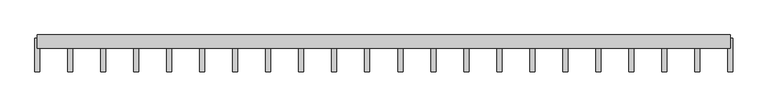
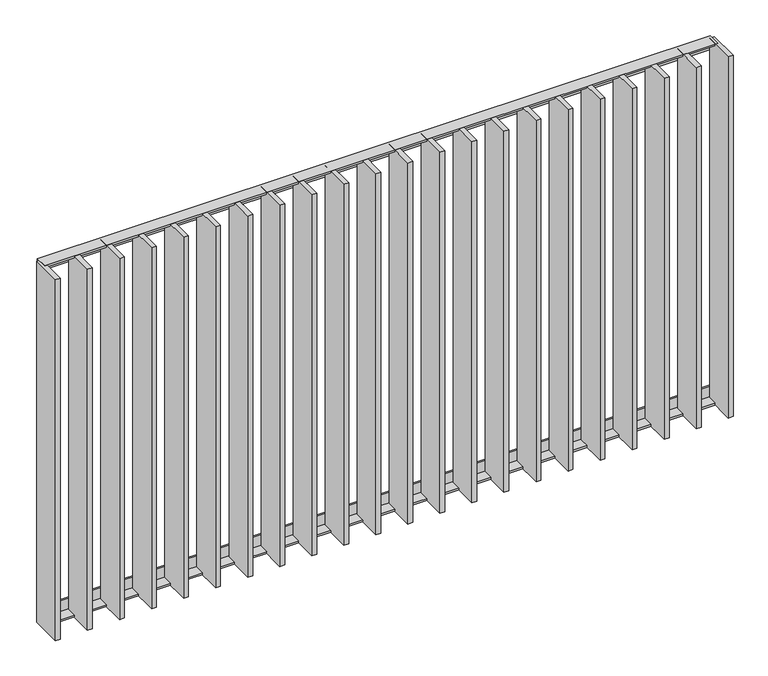
"""IFC4 building model written with IfcOpenShell, lengths in millimetres: railing geometry."""

from ifc_helpers import new_model, si_unit, frame, origin, place, context, project, spatial, polyline, outline, extrude, source, transform, mapped, element, save


def railing_85addb59(model_context):
    return source(origin(), model_context, "Body", "SweptSolid", [
        extrude(outline(polyline([(2798.7883888, 7994.0), (2764.7883888, 7994.0), (2764.7883888, 8000.0), (2804.7883888, 8000.0), (2804.7883888, 7960.0), (2798.7883888, 7960.0), (2798.7883888, 7994.0)])), frame((42609.5112064, 0.0, 0.0), z_axis=(1.0, 0.0, 0.0), x_axis=(0.0, 1.0, 0.0)), (0.0, 0.0, 1.0), 2080.0),
        extrude(outline(polyline([(2798.7883888, 6826.0), (2798.7883888, 6860.0), (2804.7883888, 6860.0), (2804.7883888, 6820.0), (2764.7883888, 6820.0), (2764.7883888, 6826.0), (2798.7883888, 6826.0)])), frame((42609.5112064, 0.0, 0.0), z_axis=(1.0, 0.0, 0.0), x_axis=(0.0, 1.0, 0.0)), (0.0, 0.0, 1.0), 2080.0),
        extrude(outline(polyline([(44582.9635874, 2794.7883888), (44597.9635874, 2794.7883888), (44597.9635874, 2694.7883888), (44582.9635874, 2694.7883888), (44582.9635874, 2794.7883888)])), frame((0.0, 0.0, 6819.9), z_axis=(0.0, 0.0, 1.0), x_axis=(1.0, 0.0, 0.0)), (0.0, 0.0, 1.0), 1180.2),
        extrude(outline(polyline([(44483.9159683, 2794.7883888), (44498.9159683, 2794.7883888), (44498.9159683, 2694.7883888), (44483.9159683, 2694.7883888), (44483.9159683, 2794.7883888)])), frame((0.0, 0.0, 6819.9), z_axis=(0.0, 0.0, 1.0), x_axis=(1.0, 0.0, 0.0)), (0.0, 0.0, 1.0), 1180.2),
        extrude(outline(polyline([(44384.8683493, 2794.7883888), (44399.8683493, 2794.7883888), (44399.8683493, 2694.7883888), (44384.8683493, 2694.7883888), (44384.8683493, 2794.7883888)])), frame((0.0, 0.0, 6819.9), z_axis=(0.0, 0.0, 1.0), x_axis=(1.0, 0.0, 0.0)), (0.0, 0.0, 1.0), 1180.2),
        extrude(outline(polyline([(44285.8207302, 2794.7883888), (44300.8207302, 2794.7883888), (44300.8207302, 2694.7883888), (44285.8207302, 2694.7883888), (44285.8207302, 2794.7883888)])), frame((0.0, 0.0, 6819.9), z_axis=(0.0, 0.0, 1.0), x_axis=(1.0, 0.0, 0.0)), (0.0, 0.0, 1.0), 1180.2),
        extrude(outline(polyline([(44186.7731112, 2794.7883888), (44201.7731112, 2794.7883888), (44201.7731112, 2694.7883888), (44186.7731112, 2694.7883888), (44186.7731112, 2794.7883888)])), frame((0.0, 0.0, 6819.9), z_axis=(0.0, 0.0, 1.0), x_axis=(1.0, 0.0, 0.0)), (0.0, 0.0, 1.0), 1180.2),
        extrude(outline(polyline([(44087.7254921, 2794.7883888), (44102.7254921, 2794.7883888), (44102.7254921, 2694.7883888), (44087.7254921, 2694.7883888), (44087.7254921, 2794.7883888)])), frame((0.0, 0.0, 6819.9), z_axis=(0.0, 0.0, 1.0), x_axis=(1.0, 0.0, 0.0)), (0.0, 0.0, 1.0), 1180.2),
        extrude(outline(polyline([(43988.6778731, 2794.7883888), (44003.6778731, 2794.7883888), (44003.6778731, 2694.7883888), (43988.6778731, 2694.7883888), (43988.6778731, 2794.7883888)])), frame((0.0, 0.0, 6819.9), z_axis=(0.0, 0.0, 1.0), x_axis=(1.0, 0.0, 0.0)), (0.0, 0.0, 1.0), 1180.2),
        extrude(outline(polyline([(43889.630254, 2794.7883888), (43904.630254, 2794.7883888), (43904.630254, 2694.7883888), (43889.630254, 2694.7883888), (43889.630254, 2794.7883888)])), frame((0.0, 0.0, 6819.9), z_axis=(0.0, 0.0, 1.0), x_axis=(1.0, 0.0, 0.0)), (0.0, 0.0, 1.0), 1180.2),
        extrude(outline(polyline([(43790.582635, 2794.7883888), (43805.582635, 2794.7883888), (43805.582635, 2694.7883888), (43790.582635, 2694.7883888), (43790.582635, 2794.7883888)])), frame((0.0, 0.0, 6819.9), z_axis=(0.0, 0.0, 1.0), x_axis=(1.0, 0.0, 0.0)), (0.0, 0.0, 1.0), 1180.2),
        extrude(outline(polyline([(43691.5350159, 2794.7883888), (43706.5350159, 2794.7883888), (43706.5350159, 2694.7883888), (43691.5350159, 2694.7883888), (43691.5350159, 2794.7883888)])), frame((0.0, 0.0, 6819.9), z_axis=(0.0, 0.0, 1.0), x_axis=(1.0, 0.0, 0.0)), (0.0, 0.0, 1.0), 1180.2),
        extrude(outline(polyline([(43592.4873969, 2794.7883888), (43607.4873969, 2794.7883888), (43607.4873969, 2694.7883888), (43592.4873969, 2694.7883888), (43592.4873969, 2794.7883888)])), frame((0.0, 0.0, 6819.9), z_axis=(0.0, 0.0, 1.0), x_axis=(1.0, 0.0, 0.0)), (0.0, 0.0, 1.0), 1180.2),
        extrude(outline(polyline([(43493.4397778, 2794.7883888), (43508.4397778, 2794.7883888), (43508.4397778, 2694.7883888), (43493.4397778, 2694.7883888), (43493.4397778, 2794.7883888)])), frame((0.0, 0.0, 6819.9), z_axis=(0.0, 0.0, 1.0), x_axis=(1.0, 0.0, 0.0)), (0.0, 0.0, 1.0), 1180.2),
        extrude(outline(polyline([(43394.3921588, 2794.7883888), (43409.3921588, 2794.7883888), (43409.3921588, 2694.7883888), (43394.3921588, 2694.7883888), (43394.3921588, 2794.7883888)])), frame((0.0, 0.0, 6819.9), z_axis=(0.0, 0.0, 1.0), x_axis=(1.0, 0.0, 0.0)), (0.0, 0.0, 1.0), 1180.2),
        extrude(outline(polyline([(43295.3445397, 2794.7883888), (43310.3445397, 2794.7883888), (43310.3445397, 2694.7883888), (43295.3445397, 2694.7883888), (43295.3445397, 2794.7883888)])), frame((0.0, 0.0, 6819.9), z_axis=(0.0, 0.0, 1.0), x_axis=(1.0, 0.0, 0.0)), (0.0, 0.0, 1.0), 1180.2),
        extrude(outline(polyline([(43196.2969207, 2794.7883888), (43211.2969207, 2794.7883888), (43211.2969207, 2694.7883888), (43196.2969207, 2694.7883888), (43196.2969207, 2794.7883888)])), frame((0.0, 0.0, 6819.9), z_axis=(0.0, 0.0, 1.0), x_axis=(1.0, 0.0, 0.0)), (0.0, 0.0, 1.0), 1180.2),
        extrude(outline(polyline([(43097.2493017, 2794.7883888), (43112.2493017, 2794.7883888), (43112.2493017, 2694.7883888), (43097.2493017, 2694.7883888), (43097.2493017, 2794.7883888)])), frame((0.0, 0.0, 6819.9), z_axis=(0.0, 0.0, 1.0), x_axis=(1.0, 0.0, 0.0)), (0.0, 0.0, 1.0), 1180.2),
        extrude(outline(polyline([(42998.2016826, 2794.7883888), (43013.2016826, 2794.7883888), (43013.2016826, 2694.7883888), (42998.2016826, 2694.7883888), (42998.2016826, 2794.7883888)])), frame((0.0, 0.0, 6819.9), z_axis=(0.0, 0.0, 1.0), x_axis=(1.0, 0.0, 0.0)), (0.0, 0.0, 1.0), 1180.2),
        extrude(outline(polyline([(42899.1540636, 2794.7883888), (42914.1540636, 2794.7883888), (42914.1540636, 2694.7883888), (42899.1540636, 2694.7883888), (42899.1540636, 2794.7883888)])), frame((0.0, 0.0, 6819.9), z_axis=(0.0, 0.0, 1.0), x_axis=(1.0, 0.0, 0.0)), (0.0, 0.0, 1.0), 1180.2),
        extrude(outline(polyline([(42800.1064445, 2794.7883888), (42815.1064445, 2794.7883888), (42815.1064445, 2694.7883888), (42800.1064445, 2694.7883888), (42800.1064445, 2794.7883888)])), frame((0.0, 0.0, 6819.9), z_axis=(0.0, 0.0, 1.0), x_axis=(1.0, 0.0, 0.0)), (0.0, 0.0, 1.0), 1180.2),
        extrude(outline(polyline([(42701.0588255, 2794.7883888), (42716.0588255, 2794.7883888), (42716.0588255, 2694.7883888), (42701.0588255, 2694.7883888), (42701.0588255, 2794.7883888)])), frame((0.0, 0.0, 6819.9), z_axis=(0.0, 0.0, 1.0), x_axis=(1.0, 0.0, 0.0)), (0.0, 0.0, 1.0), 1180.2),
        extrude(outline(polyline([(44682.0112064, 2794.7883888), (44697.0112064, 2794.7883888), (44697.0112064, 2694.7883888), (44682.0112064, 2694.7883888), (44682.0112064, 2794.7883888)])), frame((0.0, 0.0, 6819.9), z_axis=(0.0, 0.0, 1.0), x_axis=(1.0, 0.0, 0.0)), (0.0, 0.0, 1.0), 1180.2),
        extrude(outline(polyline([(42602.0112064, 2794.7883888), (42617.0112064, 2794.7883888), (42617.0112064, 2694.7883888), (42602.0112064, 2694.7883888), (42602.0112064, 2794.7883888)])), frame((0.0, 0.0, 6819.9), z_axis=(0.0, 0.0, 1.0), x_axis=(1.0, 0.0, 0.0)), (0.0, 0.0, 1.0), 1180.2),
    ])


if __name__ == "__main__":
    model = new_model("IFC4")
    model_context = context("Model", 3, world=origin())
    ifc_project = project(units=[si_unit("LENGTHUNIT", "METRE", prefix="MILLI")], contexts=[model_context])
    site = spatial("IfcSite", under=ifc_project)
    building = spatial("IfcBuilding", under=site)
    placement = place(None, origin())
    railing_shape = railing_85addb59(model_context)
    element("IfcRailing", 1, at=placement, inside=building, context=model_context, shape_type="MappedRepresentation", body=[
        mapped(railing_shape, transform((0.0, 0.0, 0.0), x_axis=(1.0, 0.0, 0.0), y_axis=(0.0, 1.0, 0.0), z_axis=(0.0, 0.0, 1.0))),
    ])
    save(model, "model.ifc")
